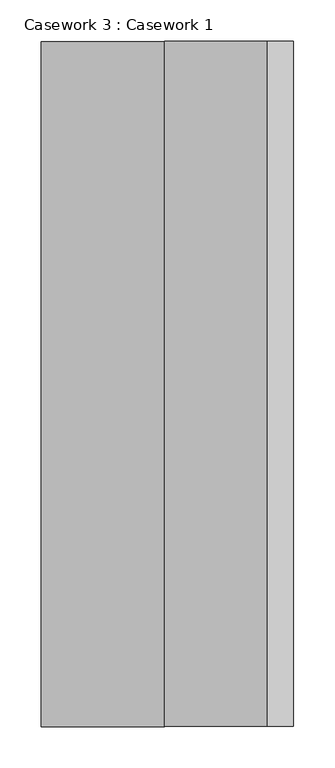
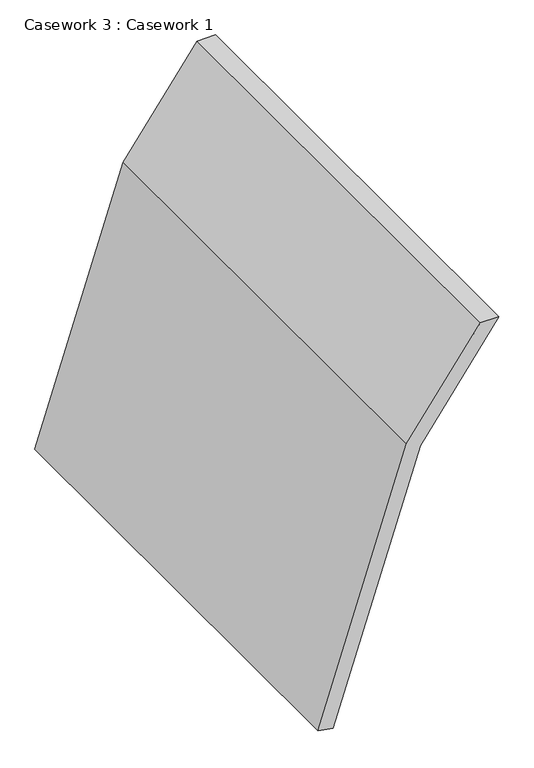
"""IFC4 building model written with IfcOpenShell, lengths in millimetres: furniture geometry, Casework 3 : Casework 1."""

from ifc_helpers import new_model, si_unit, frame, origin, place, context, project, spatial, polyline, outline, extrude, source, transform, mapped, element, save


def casework_3_casework_1_1971c94a(model_context):
    return source(origin(), model_context, "Body", "SweptSolid", [
        extrude(outline(polyline([(863.6, 210216.5379676), (863.6, 210185.1959693), (691.6336111, 210060.8795674), (232.8225264, 209911.8028091), (228.6, 209937.1379676), (679.9879865, 210083.8028151), (863.6, 210216.5379676)])), frame((0.0, -261205.626838, 0.0), z_axis=(0.0, 1.0, 0.0), x_axis=(0.0, 0.0, 1.0)), (0.0, 0.0, 1.0), 827.1937689),
    ])


if __name__ == "__main__":
    model = new_model("IFC4")
    model_context = context("Model", 3, world=origin())
    ifc_project = project(units=[si_unit("LENGTHUNIT", "METRE", prefix="MILLI")], contexts=[model_context])
    site = spatial("IfcSite", under=ifc_project)
    building = spatial("IfcBuilding", under=site)
    placement = place(None, origin())
    casework_3_casework_1_shape = casework_3_casework_1_1971c94a(model_context)
    element("IfcFurniture", 1, ObjectType="Casework 3 : Casework 1", at=placement, inside=building, context=model_context, shape_type="MappedRepresentation", body=[
        mapped(casework_3_casework_1_shape, transform((0.0, 0.0, 0.0), x_axis=(1.0, 0.0, 0.0), y_axis=(0.0, 1.0, 0.0), z_axis=(0.0, 0.0, 1.0))),
    ])
    save(model, "model.ifc")
